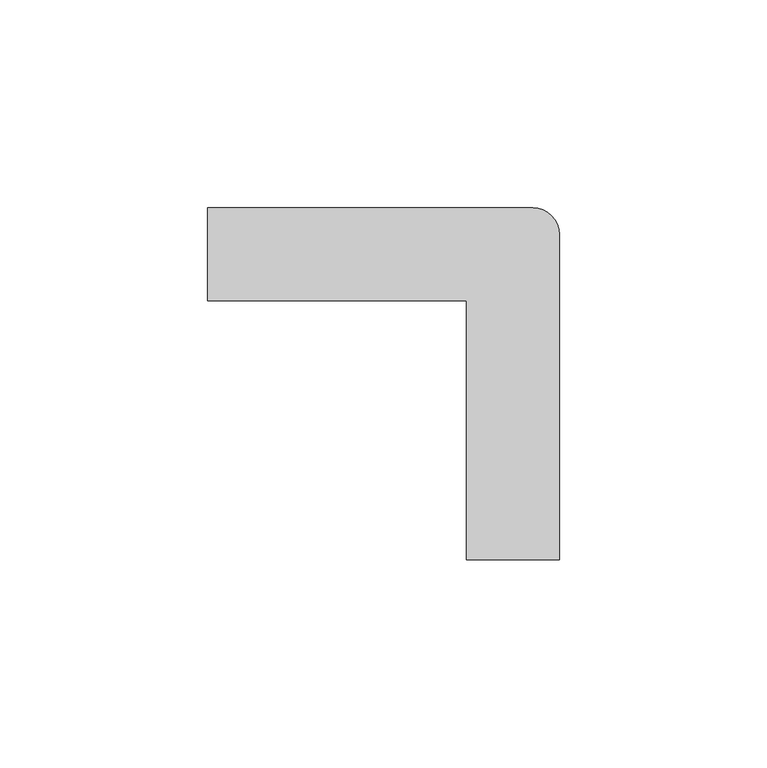
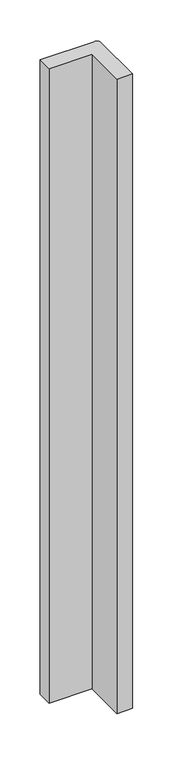
"""IFC4 building model written with IfcOpenShell, lengths in millimetres: furniture geometry."""

from ifc_helpers import new_model, si_unit, point, frame_2d, origin, origin_with_axes, place, context, project, spatial, polyline, circle_curve, trimmed, segment, composite_curve, outline, extrude, source, transform, mapped, element, save


def furniture_26084cb2(model_context):
    return source(origin(), model_context, "Body", "SweptSolid", [
        extrude(outline(composite_curve([segment(polyline([(4.2672001, 0.0), (82.550003, 0.0)]), True, "CONTINUOUS"), segment(trimmed(circle_curve(frame_2d((82.550003, -6.349997)), 6.349997), [point((82.550003, 0.0))], [point((88.9, -6.349997))], False, "CARTESIAN"), True, "CONTINUOUS"), segment(polyline([(88.9, -6.349997), (88.9, -84.6327974), (66.5667126, -84.6327974), (66.5667126, -22.3332866), (4.2672001, -22.3332866), (4.2672001, 0.0)]), True, "CONTINUOUS")], self_intersect=False)), origin_with_axes(), (0.0, 0.0, 1.0), 965.2),
    ])


if __name__ == "__main__":
    model = new_model("IFC4")
    model_context = context("Model", 3, world=origin())
    ifc_project = project(units=[si_unit("LENGTHUNIT", "METRE", prefix="MILLI")], contexts=[model_context])
    site = spatial("IfcSite", under=ifc_project)
    building = spatial("IfcBuilding", under=site)
    placement = place(None, origin())
    furniture_shape = furniture_26084cb2(model_context)
    element("IfcFurniture", 1, at=placement, inside=building, context=model_context, shape_type="MappedRepresentation", body=[
        mapped(furniture_shape, transform((0.0, 0.0, 0.0), x_axis=(1.0, 0.0, 0.0), y_axis=(0.0, 1.0, 0.0), z_axis=(0.0, 0.0, 1.0))),
    ])
    save(model, "model.ifc")
